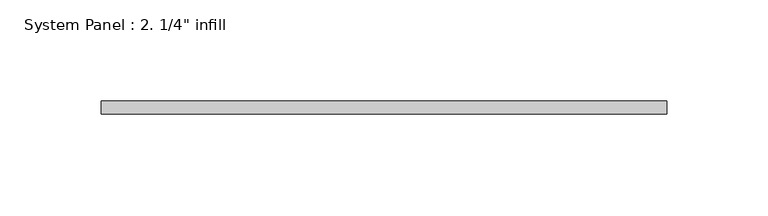
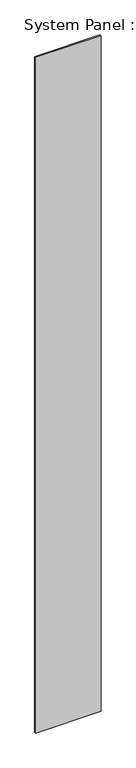
"""IFC4 building model written with IfcOpenShell, lengths in millimetres: plate geometry."""

from ifc_helpers import new_model, si_unit, origin, origin_with_axes, place, context, project, spatial, polyline, outline, extrude, source, transform, mapped, element, save


def plate_467d3409(model_context):
    return source(origin(), model_context, "Body", "SweptSolid", [
        extrude(outline(polyline([(139.7, -6.35), (-139.7, -6.35), (-139.7, 0.0), (139.7, 0.0), (139.7, -6.35)])), origin_with_axes(), (0.0, 0.0, 1.0), 3048.0),
    ])


if __name__ == "__main__":
    model = new_model("IFC4")
    model_context = context("Model", 3, world=origin())
    ifc_project = project(units=[si_unit("LENGTHUNIT", "METRE", prefix="MILLI")], contexts=[model_context])
    site = spatial("IfcSite", under=ifc_project)
    building = spatial("IfcBuilding", under=site)
    placement = place(None, origin())
    plate_shape = plate_467d3409(model_context)
    element("IfcPlate", 1, ObjectType="System Panel : 2. 1/4\" infill", at=placement, inside=building, context=model_context, shape_type="MappedRepresentation", body=[
        mapped(plate_shape, transform((0.0, 0.0, 0.0), x_axis=(1.0, 0.0, 0.0), y_axis=(0.0, 1.0, 0.0), z_axis=(0.0, 0.0, 1.0))),
    ])
    save(model, "model.ifc")
